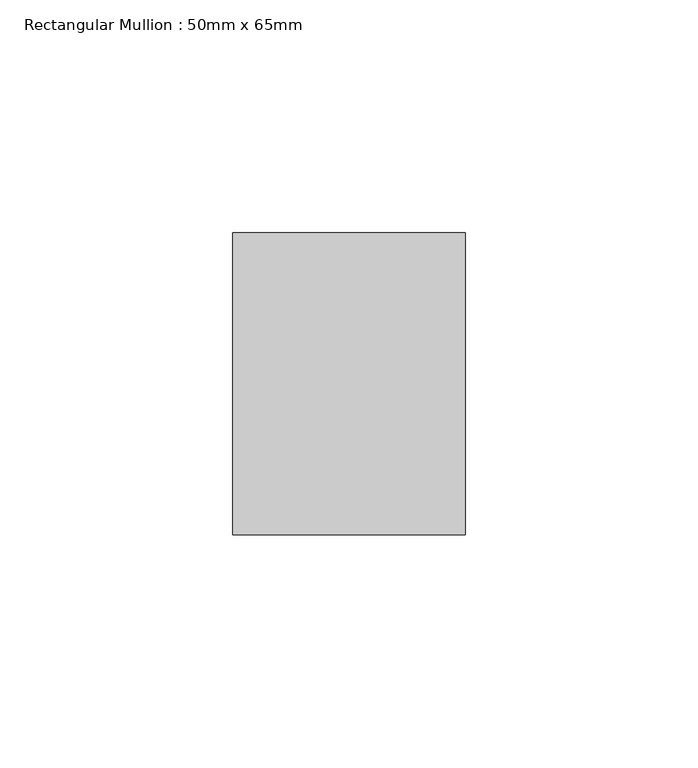
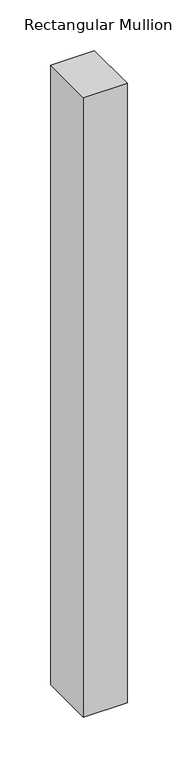
"""IFC4 building model written with IfcOpenShell, lengths in millimetres: member geometry, Rectangular Mullion : 50mm x 65mm."""

from ifc_helpers import new_model, si_unit, frame, origin, place, context, project, spatial, polyline, outline, extrude, source, transform, mapped, element, save


def rectangular_mullion_50mm_x_65mm_30863f8c(model_context):
    return source(origin(), model_context, "Body", "SweptSolid", [
        extrude(outline(polyline([(25.0, 32.5), (25.0, -32.5), (-25.0, -32.5), (-25.0, 32.5), (25.0, 32.5)])), frame((0.0, 0.0, -748.3578415), z_axis=(0.0, 0.0, 1.0), x_axis=(1.0, 0.0, 0.0)), (0.0, 0.0, 1.0), 748.3578415),
    ])


if __name__ == "__main__":
    model = new_model("IFC4")
    model_context = context("Model", 3, world=origin())
    ifc_project = project(units=[si_unit("LENGTHUNIT", "METRE", prefix="MILLI")], contexts=[model_context])
    site = spatial("IfcSite", under=ifc_project)
    building = spatial("IfcBuilding", under=site)
    placement = place(None, origin())
    rectangular_mullion_50mm_x_65mm_shape = rectangular_mullion_50mm_x_65mm_30863f8c(model_context)
    element("IfcMember", 1, ObjectType="Rectangular Mullion : 50mm x 65mm", at=placement, inside=building, context=model_context, shape_type="MappedRepresentation", body=[
        mapped(rectangular_mullion_50mm_x_65mm_shape, transform((0.0, 0.0, 0.0), x_axis=(1.0, 0.0, 0.0), y_axis=(0.0, 1.0, 0.0), z_axis=(0.0, 0.0, 1.0))),
    ])
    save(model, "model.ifc")
